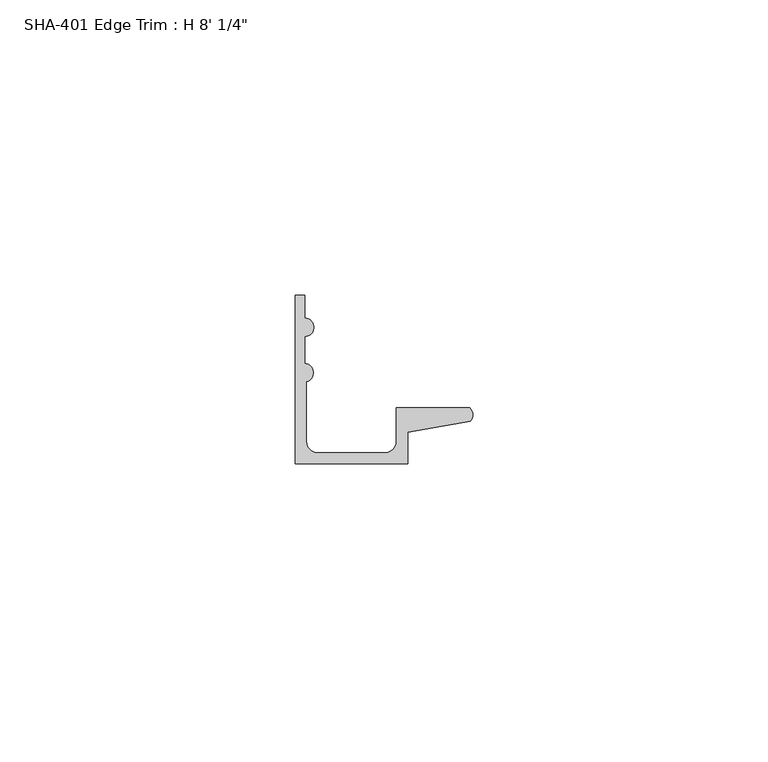
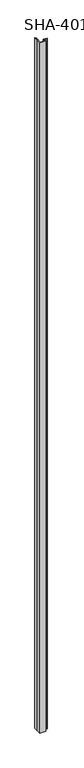
"""IFC4 building model written with IfcOpenShell, lengths in millimetres: proxy geometry."""

from ifc_helpers import new_model, si_unit, point, frame_2d, origin, origin_with_axes, place, context, project, spatial, polyline, circle_curve, trimmed, segment, composite_curve, outline, extrude, source, transform, mapped, element, save


def proxy_a15f6bdd(model_context):
    return source(origin(), model_context, "Body", "SweptSolid", [
        extrude(outline(composite_curve([segment(polyline([(29.6006869, 7.2036308), (19.0246, 5.392657), (19.0246, 0.0), (0.0, 0.0), (0.0, 13.8696178), (0.0, 28.575), (1.5748, 28.575), (1.5748, 24.7045919)]), True, "CONTINUOUS"), segment(trimmed(circle_curve(frame_2d((1.5748, 23.1297919)), 1.5748), [point((1.5748, 24.7045919))], [point((1.5748, 21.5549919))], False, "CARTESIAN"), True, "CONTINUOUS"), segment(polyline([(1.5748, 21.5549919), (1.5748, 17.018)]), True, "CONTINUOUS"), segment(trimmed(circle_curve(frame_2d((1.4838146, 15.4432)), 1.5774262), [point((1.5748, 17.018))], [point((1.905, 13.9230434))], False, "CARTESIAN"), True, "CONTINUOUS"), segment(polyline([(1.905, 13.9230434), (1.905, 3.81)]), True, "CONTINUOUS"), segment(trimmed(circle_curve(frame_2d((3.81, 3.81)), 1.905), [point((1.905, 3.81))], [point((3.81, 1.905))], True, "CARTESIAN"), True, "CONTINUOUS"), segment(polyline([(3.81, 1.905), (15.2146, 1.905)]), True, "CONTINUOUS"), segment(trimmed(circle_curve(frame_2d((15.2146, 3.81)), 1.905), [point((15.2146, 1.905))], [point((17.1196, 3.81))], True, "CARTESIAN"), True, "CONTINUOUS"), segment(polyline([(17.1196, 3.81), (17.1196, 9.525), (29.5346031, 9.525)]), True, "CONTINUOUS"), segment(trimmed(circle_curve(frame_2d((28.4438454, 8.3323235)), 1.6162393), [point((29.5346031, 9.525))], [point((29.6006869, 7.2036308))], False, "CARTESIAN"), True, "CONTINUOUS")], self_intersect=False)), origin_with_axes(), (0.0, 0.0, 1.0), 2444.75),
    ])


if __name__ == "__main__":
    model = new_model("IFC4")
    model_context = context("Model", 3, world=origin())
    ifc_project = project(units=[si_unit("LENGTHUNIT", "METRE", prefix="MILLI")], contexts=[model_context])
    site = spatial("IfcSite", under=ifc_project)
    building = spatial("IfcBuilding", under=site)
    placement = place(None, origin())
    proxy_shape = proxy_a15f6bdd(model_context)
    element("IfcBuildingElementProxy", 1, Name="SHA-401 Edge Trim : H 8' 1/4\"", ObjectType="SHA-401 Edge Trim : H 8' 1/4\"", at=placement, inside=building, context=model_context, shape_type="MappedRepresentation", body=[
        mapped(proxy_shape, transform((0.0, 0.0, 0.0), x_axis=(1.0, 0.0, 0.0), y_axis=(0.0, 1.0, 0.0), z_axis=(0.0, 0.0, 1.0))),
    ])
    save(model, "model.ifc")
